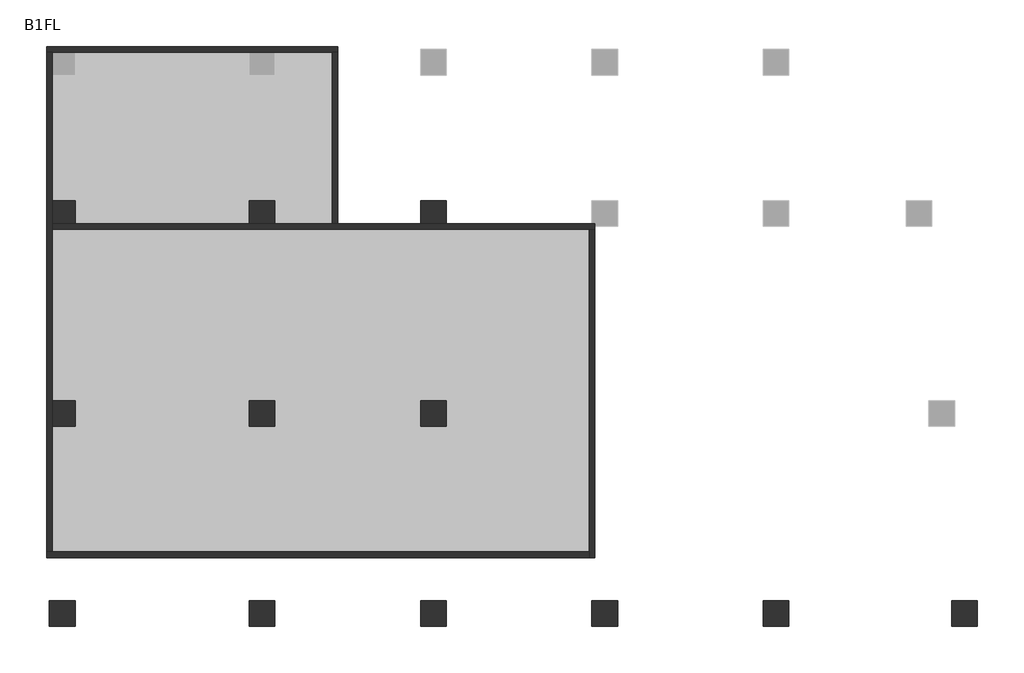
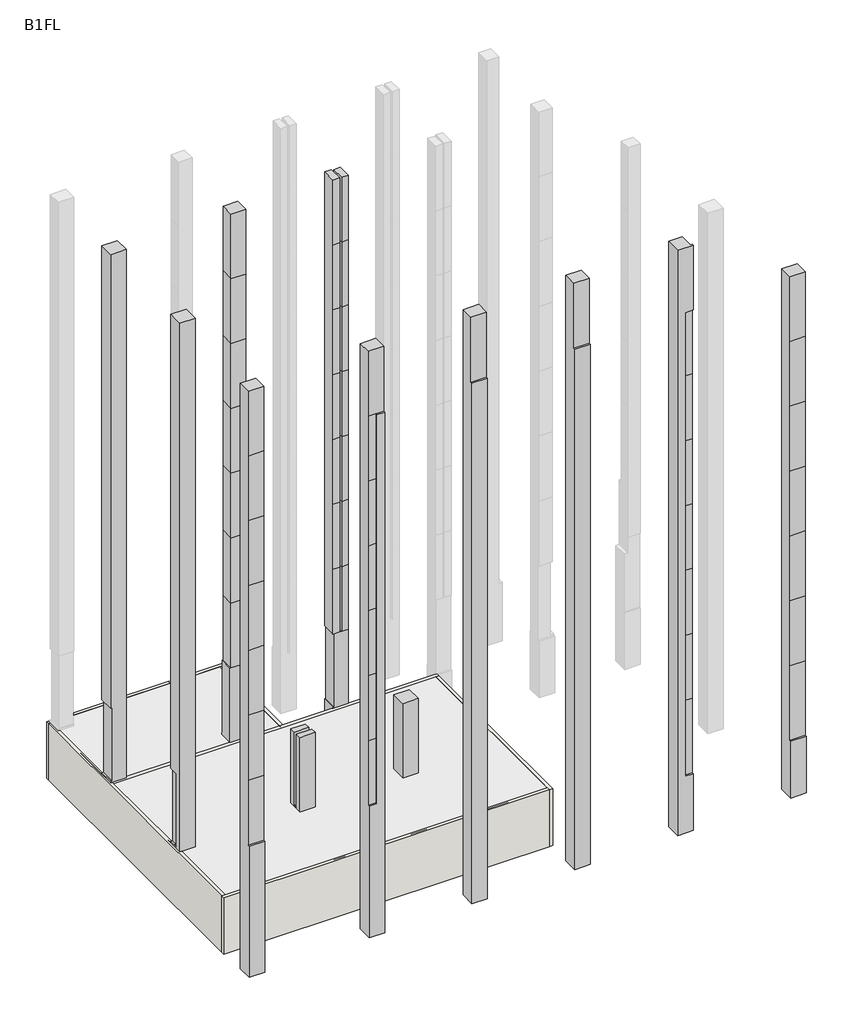
# One storey, part 1 of 2: 12 columns, 6 walls.
"""IFC4 building model written with IfcOpenShell, lengths in millimetres."""

from ifc_helpers import new_model, si_unit, frame, origin, place, context, project, spatial, polyline, outline, extrude, faceted_brep, element, save

model = new_model("IFC4")

# Units and contexts
model_context = context("Model", 3, world=origin())
ifc_project = project(units=[si_unit("LENGTHUNIT", "METRE", prefix="MILLI")], contexts=[model_context])

# Site, building, storey
site = spatial("IfcSite", under=ifc_project)
building = spatial("IfcBuilding", under=site)
storey = spatial("IfcBuildingStorey", under=building, Name="B1FL", Elevation=-3500.0)

# Columns
placement = place(None, origin())
element("IfcColumn", 1, ObjectType="900x900", at=placement, inside=storey, context=model_context, shape_type="Brep", body=[
    faceted_brep([(-27945.9784025, 10449.6868987, 32600.0), (-27945.9784025, 11349.6868987, 32600.0), (-28845.9784025, 11349.6868987, 32600.0), (-28845.9784025, 10449.6868987, 32600.0), (-28745.9784025, 11349.6868987, -3500.0), (-27945.9784025, 11349.6868987, -3500.0), (-27945.9784025, 10549.6868987, -3500.0), (-28745.9784025, 10549.6868987, -3500.0), (-27945.9784025, 10449.6868987, 0.0), (-27945.9784025, 10549.6868987, 0.0), (-27945.9784025, 11349.6868987, 100.0), (-27945.9784025, 11299.6868987, 100.0), (-27945.9784025, 11299.6868987, 4600.0), (-27945.9784025, 11349.6868987, 4600.0), (-28745.9784025, 11349.6868987, 4600.0), (-28845.9784025, 11349.6868987, 4600.0), (-28845.9784025, 10449.6868987, 4600.0), (-28745.9784025, 10449.6868987, 4600.0), (-28745.9784025, 10449.6868987, 100.0), (-28845.9784025, 10449.6868987, 100.0), (-28845.9784025, 10449.6868987, 0.0), (-28745.9784025, 10449.6868987, 0.0), (-28745.9784025, 11299.6868987, 4600.0), (-28745.9784025, 11299.6868987, 100.0), (-28745.9784025, 11349.6868987, 100.0), (-28845.9784025, 11349.6868987, 100.0), (-28845.9784025, 11349.6868987, 0.0), (-28845.9784025, 10549.6868987, 0.0), (-28745.9784025, 11349.6868987, 0.0), (-28745.9784025, 10549.6868987, 0.0)], [[[0, 1, 2, 3]], [[4, 5, 6, 7]], [[1, 0, 8, 9, 6, 5, 10, 11, 12, 13]], [[2, 1, 13, 14, 15]], [[3, 2, 15, 16]], [[0, 3, 16, 17, 18, 19, 20, 21, 8]], [[18, 17, 22, 23]], [[24, 25, 19, 18, 23]], [[15, 14, 22, 17, 16]], [[19, 25, 26, 27, 20]], [[11, 23, 22, 12]], [[23, 11, 10, 24]], [[12, 22, 14, 13]], [[25, 24, 10, 5, 4, 28, 26]], [[28, 4, 7, 29]], [[21, 20, 27, 26, 28, 29]], [[9, 29, 7, 6]], [[29, 9, 8, 21]]]),
])
element("IfcColumn", 2, ObjectType="900x900", at=placement, inside=storey, context=model_context, shape_type="Brep", body=[
    faceted_brep([(-27945.9784025, 3449.6868987, 32600.0), (-27945.9784025, 4349.6868987, 32600.0), (-28845.9784025, 4349.6868987, 32600.0), (-28845.9784025, 3449.6868987, 32600.0), (-27945.9784025, 4349.6868987, -3500.0), (-27945.9784025, 3449.6868987, -3500.0), (-28745.9784025, 3449.6868987, -3500.0), (-28745.9784025, 4349.6868987, -3500.0), (-27945.9784025, 3999.6868987, 4600.0), (-27945.9784025, 3999.6868987, 100.0), (-27945.9784025, 3799.6868987, 100.0), (-27945.9784025, 3799.6868987, 4600.0), (-28745.9784025, 4349.6868987, 0.0), (-28845.9784025, 4349.6868987, 0.0), (-28845.9784025, 4349.6868987, 100.0), (-28745.9784025, 4349.6868987, 100.0), (-28745.9784025, 4349.6868987, 4600.0), (-28845.9784025, 4349.6868987, 4600.0), (-28845.9784025, 3999.6868987, 4600.0), (-28845.9784025, 3799.6868987, 4600.0), (-28845.9784025, 3799.6868987, 100.0), (-28845.9784025, 3999.6868987, 100.0), (-28845.9784025, 3449.6868987, 0.0), (-28845.9784025, 3449.6868987, 400.0), (-28745.9784025, 3449.6868987, 0.0), (-28745.9784025, 3999.6868987, 4600.0), (-28745.9784025, 3999.6868987, 100.0)], [[[0, 1, 2, 3]], [[4, 5, 6, 7]], [[1, 0, 5, 4], [8, 9, 10, 11]], [[2, 1, 4, 7, 12, 13, 14, 15, 16, 17]], [[3, 2, 17, 18, 19, 20, 21, 14, 13, 22, 23]], [[0, 3, 23, 22, 24, 6, 5]], [[9, 8, 25, 26]], [[11, 10, 20, 19]], [[10, 9, 26, 21, 20]], [[8, 11, 19, 18, 25]], [[25, 16, 15, 26]], [[26, 15, 14, 21]], [[16, 25, 18, 17]], [[24, 12, 7, 6]], [[12, 24, 22, 13]]]),
])
element("IfcColumn", 3, ObjectType="900x900", at=placement, inside=storey, context=model_context, shape_type="Brep", body=[
    faceted_brep([(-27945.9784025, -2650.3131013, 32600.0), (-28845.9784025, -2650.3131013, 32600.0), (-28845.9784025, -3450.3131013, 32600.0), (-27945.9784025, -3450.3131013, 32600.0), (-27945.9784025, -3550.3131013, -3500.0), (-28845.9784025, -3550.3131013, -3500.0), (-28845.9784025, -2650.3131013, -3500.0), (-27945.9784025, -2650.3131013, -3500.0), (-27945.9784025, -3450.3131013, 28600.0), (-27945.9784025, -3450.3131013, 24600.0), (-27945.9784025, -3450.3131013, 20600.0), (-27945.9784025, -3450.3131013, 16600.0), (-27945.9784025, -3450.3131013, 12600.0), (-27945.9784025, -3450.3131013, 8600.0), (-27945.9784025, -3450.3131013, 4600.0), (-27945.9784025, -3550.3131013, 4600.0), (-28845.9784025, -2650.3131013, 0.0), (-28845.9784025, -2650.3131013, 400.0), (-28845.9784025, -3550.3131013, 4600.0), (-28845.9784025, -3450.3131013, 4600.0), (-28845.9784025, -3450.3131013, 8600.0), (-28845.9784025, -3450.3131013, 12600.0), (-28845.9784025, -3450.3131013, 16600.0), (-28845.9784025, -3450.3131013, 20600.0), (-28845.9784025, -3450.3131013, 24600.0), (-28845.9784025, -3450.3131013, 28600.0)], [[[0, 1, 2, 3]], [[4, 5, 6, 7]], [[4, 7, 0, 3, 8, 9, 10, 11, 12, 13, 14, 15]], [[1, 0, 7, 6, 16, 17]], [[6, 5, 18, 19, 20, 21, 22, 23, 24, 25, 2, 1, 17, 16]], [[13, 12, 21, 20]], [[12, 11, 22, 21]], [[11, 10, 23, 22]], [[10, 9, 24, 23]], [[9, 8, 25, 24]], [[5, 4, 15, 18]], [[19, 14, 13, 20]], [[14, 19, 18, 15]], [[3, 2, 25, 8]]]),
])
element("IfcColumn", 4, ObjectType="900x900", at=placement, inside=storey, context=model_context, shape_type="Brep", body=[
    faceted_brep([(-21795.9784025, 11299.6868987, 32600.0), (-21795.9784025, 10499.6868987, 32600.0), (-20945.9784025, 10499.6868987, 32600.0), (-20945.9784025, 11299.6868987, 32600.0), (-21845.9784025, 11349.6868987, -3500.0), (-20945.9784025, 11349.6868987, -3500.0), (-20945.9784025, 10549.6868987, -3500.0), (-21845.9784025, 10549.6868987, -3500.0), (-20945.9784025, 10499.6868987, 12600.0), (-20945.9784025, 10499.6868987, 8600.0), (-20945.9784025, 10499.6868987, 4600.0), (-20945.9784025, 10524.6868987, 4600.0), (-20945.9784025, 11299.6868987, 4600.0), (-20945.9784025, 11299.6868987, 8600.0), (-20945.9784025, 11299.6868987, 12600.0), (-20945.9784025, 11299.6868987, 16600.0), (-20945.9784025, 11299.6868987, 20600.0), (-20945.9784025, 11299.6868987, 24600.0), (-20945.9784025, 11299.6868987, 28600.0), (-20945.9784025, 10499.6868987, 28600.0), (-20945.9784025, 10499.6868987, 24600.0), (-20945.9784025, 10499.6868987, 20600.0), (-20945.9784025, 10499.6868987, 16600.0), (-21795.9784025, 10499.6868987, 12600.0), (-21795.9784025, 10499.6868987, 8600.0), (-21795.9784025, 11299.6868987, 12600.0), (-21795.9784025, 11299.6868987, 8600.0), (-21845.9784025, 11349.6868987, 100.0), (-21845.9784025, 10549.6868987, 0.0), (-21845.9784025, 10524.6868987, 0.0), (-21845.9784025, 10524.6868987, 4600.0), (-21845.9784025, 11299.6868987, 4600.0), (-21845.9784025, 11299.6868987, 100.0), (-20945.9784025, 11349.6868987, 100.0), (-21795.9784025, 10499.6868987, 4600.0), (-21795.9784025, 11299.6868987, 4600.0), (-21795.9784025, 10524.6868987, 4600.0), (-20995.9784025, 11299.6868987, 4600.0), (-21795.9784025, 10499.6868987, 16600.0), (-21795.9784025, 11299.6868987, 16600.0), (-21795.9784025, 10499.6868987, 20600.0), (-21795.9784025, 11299.6868987, 20600.0), (-21795.9784025, 10499.6868987, 24600.0), (-21795.9784025, 11299.6868987, 24600.0), (-21795.9784025, 10499.6868987, 28600.0), (-21795.9784025, 11299.6868987, 28600.0), (-20995.9784025, 11299.6868987, 100.0), (-20945.9784025, 11299.6868987, 100.0), (-20995.9784025, 10524.6868987, 100.0), (-20995.9784025, 10524.6868987, 4600.0), (-20945.9784025, 10524.6868987, 100.0), (-20945.9784025, 10549.6868987, 0.0), (-20945.9784025, 10524.6868987, 0.0)], [[[0, 1, 2, 3]], [[4, 5, 6, 7]], [[8, 9, 10, 11, 12, 13, 14, 15, 16, 17, 18, 3, 2, 19, 20, 21, 22]], [[9, 8, 23, 24]], [[24, 23, 25, 26]], [[27, 4, 7, 28, 29, 30, 31, 32]], [[14, 13, 26, 25]], [[5, 4, 27, 33]], [[10, 9, 24, 34]], [[24, 26, 35, 36, 34]], [[35, 31, 30, 36]], [[13, 12, 37, 35, 26]], [[8, 22, 38, 23]], [[25, 23, 38, 39]], [[15, 14, 25, 39]], [[22, 21, 40, 38]], [[39, 38, 40, 41]], [[16, 15, 39, 41]], [[21, 20, 42, 40]], [[41, 40, 42, 43]], [[17, 16, 41, 43]], [[20, 19, 44, 42]], [[43, 42, 44, 45]], [[18, 17, 43, 45]], [[45, 44, 1, 0]], [[0, 3, 18, 45]], [[2, 1, 44, 19]], [[32, 31, 35, 37, 46]], [[47, 33, 27, 32, 46]], [[48, 46, 37, 49]], [[46, 48, 50, 47]], [[49, 37, 12, 11]], [[7, 6, 51, 28]], [[28, 51, 52, 29]], [[49, 36, 30, 29, 52, 50, 48]], [[36, 49, 11, 10, 34]], [[5, 33, 47, 50, 52, 51, 6]]]),
])
element("IfcColumn", 5, ObjectType="900x900", at=placement, inside=storey, context=model_context, shape_type="Brep", body=[
    faceted_brep([(-21845.9784025, 3449.6868987, 4600.0), (-20945.9784025, 3449.6868987, 4600.0), (-20945.9784025, 3799.6868987, 4600.0), (-21845.9784025, 3799.6868987, 4600.0), (-20945.9784025, 3449.6868987, -3500.0), (-21845.9784025, 3449.6868987, -3500.0), (-21845.9784025, 4349.6868987, -3500.0), (-20945.9784025, 4349.6868987, -3500.0), (-20945.9784025, 4349.6868987, 100.0), (-20945.9784025, 3999.6868987, 100.0), (-20945.9784025, 3799.6868987, 100.0), (-21845.9784025, 4349.6868987, 4600.0), (-21020.9784025, 4349.6868987, 4600.0), (-21020.9784025, 4349.6868987, 100.0), (-21845.9784025, 3799.6868987, 100.0), (-21845.9784025, 3999.6868987, 100.0), (-21845.9784025, 3999.6868987, 4600.0), (-21020.9784025, 3999.6868987, 100.0), (-21020.9784025, 3999.6868987, 4600.0)], [[[0, 1, 2, 3]], [[4, 5, 6, 7]], [[4, 7, 8, 9, 10, 2, 1]], [[7, 6, 11, 12, 13, 8]], [[6, 5, 0, 3, 14, 15, 16, 11]], [[1, 0, 5, 4]], [[16, 15, 17, 18]], [[3, 2, 10, 14]], [[10, 9, 17, 15, 14]], [[11, 16, 18, 12]], [[17, 13, 12, 18]], [[13, 17, 9, 8]]]),
])
element("IfcColumn", 6, ObjectType="900x900", at=placement, inside=storey, context=model_context, shape_type="Brep", body=[
    faceted_brep([(-20945.9784025, -2650.3131013, 32600.0), (-21845.9784025, -2650.3131013, 32600.0), (-21845.9784025, -3450.3131013, 32600.0), (-20945.9784025, -3450.3131013, 32600.0), (-20945.9784025, -3550.3131013, -3500.0), (-21845.9784025, -3550.3131013, -3500.0), (-21845.9784025, -2650.3131013, -3500.0), (-20945.9784025, -2650.3131013, -3500.0), (-20945.9784025, -3450.3131013, 28600.0), (-20945.9784025, -3550.3131013, 28600.0), (-21845.9784025, -3550.3131013, 4600.0), (-21845.9784025, -3450.3131013, 4600.0), (-21845.9784025, -3450.3131013, 8600.0), (-21845.9784025, -3450.3131013, 12600.0), (-21845.9784025, -3450.3131013, 16600.0), (-21845.9784025, -3450.3131013, 20600.0), (-21845.9784025, -3450.3131013, 24600.0), (-21845.9784025, -3450.3131013, 28600.0), (-21395.9784025, -3550.3131013, 28600.0), (-21395.9784025, -3550.3131013, 24600.0), (-21395.9784025, -3550.3131013, 20600.0), (-21395.9784025, -3550.3131013, 16600.0), (-21395.9784025, -3550.3131013, 12600.0), (-21395.9784025, -3550.3131013, 8600.0), (-21395.9784025, -3550.3131013, 4600.0), (-21395.9784025, -3450.3131013, 8600.0), (-21395.9784025, -3450.3131013, 12600.0), (-21395.9784025, -3450.3131013, 16600.0), (-21395.9784025, -3450.3131013, 20600.0), (-21395.9784025, -3450.3131013, 24600.0), (-21395.9784025, -3450.3131013, 28600.0), (-21395.9784025, -3450.3131013, 4600.0)], [[[0, 1, 2, 3]], [[4, 5, 6, 7]], [[4, 7, 0, 3, 8, 9]], [[1, 0, 7, 6]], [[6, 5, 10, 11, 12, 13, 14, 15, 16, 17, 2, 1]], [[5, 4, 9, 18, 19, 20, 21, 22, 23, 24, 10]], [[25, 26, 13, 12]], [[26, 25, 23, 22]], [[26, 27, 14, 13]], [[27, 26, 22, 21]], [[27, 28, 15, 14]], [[28, 27, 21, 20]], [[28, 29, 16, 15]], [[29, 28, 20, 19]], [[29, 30, 17, 16]], [[30, 29, 19, 18]], [[31, 25, 12, 11]], [[31, 11, 10, 24]], [[25, 31, 24, 23]], [[30, 8, 3, 2, 17]], [[8, 30, 18, 9]]]),
])
element("IfcColumn", 7, ObjectType="900x900", at=placement, inside=storey, context=model_context, shape_type="Brep", body=[
    faceted_brep([(-15345.9784025, 11299.6868987, 32600.0), (-15345.9784025, 10499.6868987, 32600.0), (-14945.9784025, 10499.6868987, 32600.0), (-14945.9784025, 11299.6868987, 32600.0), (-15845.9784025, 11349.6868987, -3500.0), (-14945.9784025, 11349.6868987, -3500.0), (-14945.9784025, 10549.6868987, -3500.0), (-15845.9784025, 10549.6868987, -3500.0), (-14945.9784025, 10499.6868987, 12600.0), (-14945.9784025, 10499.6868987, 8600.0), (-14945.9784025, 10499.6868987, 4600.0), (-14945.9784025, 10524.6868987, 4600.0), (-14945.9784025, 10524.6868987, 0.0), (-14945.9784025, 10549.6868987, 0.0), (-14945.9784025, 11349.6868987, 100.0), (-14945.9784025, 11299.6868987, 100.0), (-14945.9784025, 11299.6868987, 4600.0), (-14945.9784025, 11299.6868987, 8600.0), (-14945.9784025, 11299.6868987, 12600.0), (-14945.9784025, 11299.6868987, 16600.0), (-14945.9784025, 11299.6868987, 20600.0), (-14945.9784025, 11299.6868987, 24600.0), (-14945.9784025, 11299.6868987, 28600.0), (-14945.9784025, 10499.6868987, 28600.0), (-14945.9784025, 10499.6868987, 24600.0), (-14945.9784025, 10499.6868987, 20600.0), (-14945.9784025, 10499.6868987, 16600.0), (-15845.9784025, 10499.6868987, 8600.0), (-15845.9784025, 10499.6868987, 12600.0), (-15845.9784025, 10499.6868987, 16600.0), (-15845.9784025, 10499.6868987, 20600.0), (-15845.9784025, 10499.6868987, 24600.0), (-15845.9784025, 10499.6868987, 28600.0), (-15845.9784025, 10499.6868987, 32600.0), (-15845.9784025, 11349.6868987, 32600.0), (-15845.9784025, 11349.6868987, 4600.0), (-15845.9784025, 11299.6868987, 4600.0), (-15845.9784025, 10524.6868987, 4600.0), (-15845.9784025, 10499.6868987, 4600.0), (-15345.9784025, 10499.6868987, 12600.0), (-15345.9784025, 10499.6868987, 8600.0), (-15345.9784025, 11299.6868987, 12600.0), (-15345.9784025, 11299.6868987, 8600.0), (-15445.9784025, 11349.6868987, 8600.0), (-15445.9784025, 11349.6868987, 12600.0), (-15445.9784025, 10499.6868987, 12600.0), (-15445.9784025, 10499.6868987, 8600.0), (-15345.9784025, 10499.6868987, 4600.0), (-15345.9784025, 11299.6868987, 4600.0), (-15345.9784025, 10524.6868987, 4600.0), (-15445.9784025, 11349.6868987, 4600.0), (-15445.9784025, 10499.6868987, 4600.0), (-15445.9784025, 10524.6868987, 4600.0), (-15445.9784025, 11299.6868987, 4600.0), (-15345.9784025, 10499.6868987, 16600.0), (-15345.9784025, 11299.6868987, 16600.0), (-15445.9784025, 11349.6868987, 16600.0), (-15445.9784025, 10499.6868987, 16600.0), (-15345.9784025, 10499.6868987, 20600.0), (-15345.9784025, 11299.6868987, 20600.0), (-15445.9784025, 11349.6868987, 20600.0), (-15445.9784025, 10499.6868987, 20600.0), (-15345.9784025, 10499.6868987, 24600.0), (-15345.9784025, 11299.6868987, 24600.0), (-15445.9784025, 11349.6868987, 24600.0), (-15445.9784025, 10499.6868987, 24600.0), (-15345.9784025, 10499.6868987, 28600.0), (-15345.9784025, 11299.6868987, 28600.0), (-15445.9784025, 11349.6868987, 28600.0), (-15445.9784025, 10499.6868987, 28600.0), (-15445.9784025, 11349.6868987, 32600.0), (-15445.9784025, 10499.6868987, 32600.0), (-15795.9784025, 10524.6868987, 4600.0), (-15795.9784025, 11299.6868987, 4600.0), (-15795.9784025, 11299.6868987, 100.0), (-15795.9784025, 10524.6868987, 100.0), (-15845.9784025, 11299.6868987, 100.0), (-15845.9784025, 10524.6868987, 100.0), (-15845.9784025, 11349.6868987, 100.0), (-15845.9784025, 10549.6868987, 0.0), (-15845.9784025, 10524.6868987, 0.0)], [[[0, 1, 2, 3]], [[4, 5, 6, 7]], [[8, 9, 10, 11, 12, 13, 6, 5, 14, 15, 16, 17, 18, 19, 20, 21, 22, 3, 2, 23, 24, 25, 26]], [[27, 28, 29, 30, 31, 32, 33, 34, 35, 36, 37, 38]], [[9, 8, 39, 40]], [[40, 39, 41, 42]], [[43, 44, 45, 46]], [[28, 27, 46, 45]], [[18, 17, 42, 41]], [[10, 9, 40, 47]], [[40, 42, 48, 49, 47]], [[50, 43, 46, 51, 52, 53]], [[48, 53, 52, 49]], [[27, 38, 51, 46]], [[17, 16, 48, 42]], [[8, 26, 54, 39]], [[41, 39, 54, 55]], [[44, 56, 57, 45]], [[29, 28, 45, 57]], [[19, 18, 41, 55]], [[26, 25, 58, 54]], [[55, 54, 58, 59]], [[56, 60, 61, 57]], [[30, 29, 57, 61]], [[20, 19, 55, 59]], [[25, 24, 62, 58]], [[59, 58, 62, 63]], [[60, 64, 65, 61]], [[31, 30, 61, 65]], [[21, 20, 59, 63]], [[24, 23, 66, 62]], [[63, 62, 66, 67]], [[64, 68, 69, 65]], [[32, 31, 65, 69]], [[22, 21, 63, 67]], [[67, 66, 1, 0]], [[70, 71, 69, 68]], [[44, 43, 50, 35, 34, 70, 68, 64, 60, 56]], [[0, 3, 22, 67]], [[2, 1, 66, 23]], [[70, 34, 33, 71]], [[71, 33, 32, 69]], [[72, 73, 74, 75]], [[75, 74, 76, 77]], [[73, 72, 37, 36]], [[73, 53, 48, 16, 15, 74]], [[74, 15, 14, 78, 76]], [[53, 73, 36, 35, 50]], [[5, 4, 78, 14]], [[13, 79, 7, 6]], [[79, 13, 12, 80]], [[52, 72, 75, 77, 80, 12, 11, 49]], [[72, 52, 51, 38, 37]], [[77, 76, 78, 4, 7, 79, 80]], [[49, 11, 10, 47]]]),
])
element("IfcColumn", 8, ObjectType="900x900", at=placement, inside=storey, context=model_context, shape_type="SweptSolid", body=[
    extrude(outline(polyline([(-14945.9784025, 3449.6868987), (-15845.9784025, 3449.6868987), (-15845.9784025, 4349.6868987), (-14945.9784025, 4349.6868987), (-14945.9784025, 3449.6868987)])), frame((0.0, 0.0, -3500.0), z_axis=(0.0, 0.0, 1.0), x_axis=(1.0, 0.0, 0.0)), (0.0, 0.0, 1.0), 8100.0),
])
element("IfcColumn", 9, ObjectType="900x900", at=placement, inside=storey, context=model_context, shape_type="SweptSolid", body=[
    extrude(outline(polyline([(-2650.3131013, -3500.0), (-3550.3131013, -3500.0), (-3550.3131013, 28600.0), (-3450.3131013, 28600.0), (-3450.3131013, 32600.0), (-2650.3131013, 32600.0), (-2650.3131013, -3500.0)])), frame((-15845.9784025, 0.0, 0.0), z_axis=(1.0, 0.0, 0.0), x_axis=(0.0, 1.0, 0.0)), (0.0, 0.0, 1.0), 900.0),
])
element("IfcColumn", 10, ObjectType="900x900", at=placement, inside=storey, context=model_context, shape_type="SweptSolid", body=[
    extrude(outline(polyline([(-2650.3131013, -3500.0), (-3550.3131013, -3500.0), (-3550.3131013, 28600.0), (-3450.3131013, 28600.0), (-3450.3131013, 32600.0), (-2650.3131013, 32600.0), (-2650.3131013, -3500.0)])), frame((-9845.9784025, 0.0, 0.0), z_axis=(1.0, 0.0, 0.0), x_axis=(0.0, 1.0, 0.0)), (0.0, 0.0, 1.0), 900.0),
])
element("IfcColumn", 11, ObjectType="900x900", at=placement, inside=storey, context=model_context, shape_type="Brep", body=[
    faceted_brep([(-3845.9784025, -2650.3131013, 32600.0), (-3845.9784025, -3550.3131013, 32600.0), (-2945.9784025, -3550.3131013, 32600.0), (-2945.9784025, -3450.3131013, 32600.0), (-3045.9784025, -3450.3131013, 32600.0), (-3045.9784025, -2650.3131013, 32600.0), (-2945.9784025, -3550.3131013, -3500.0), (-3845.9784025, -3550.3131013, -3500.0), (-3845.9784025, -2650.3131013, -3500.0), (-2945.9784025, -2650.3131013, -3500.0), (-2945.9784025, -3550.3131013, 28600.0), (-2945.9784025, -3450.3131013, 28600.0), (-3045.9784025, -2650.3131013, 28600.0), (-2945.9784025, -2650.3131013, 28600.0), (-2945.9784025, -3550.3131013, 0.0), (-3395.9784025, -3550.3131013, 0.0), (-3395.9784025, -3550.3131013, 4600.0), (-3395.9784025, -3550.3131013, 8600.0), (-3395.9784025, -3550.3131013, 12600.0), (-3395.9784025, -3550.3131013, 16600.0), (-3395.9784025, -3550.3131013, 20600.0), (-3395.9784025, -3550.3131013, 24600.0), (-3395.9784025, -3550.3131013, 28600.0), (-3395.9784025, -3450.3131013, 12600.0), (-3395.9784025, -3450.3131013, 8600.0), (-2945.9784025, -3450.3131013, 8600.0), (-2945.9784025, -3450.3131013, 12600.0), (-3395.9784025, -3450.3131013, 16600.0), (-2945.9784025, -3450.3131013, 16600.0), (-3395.9784025, -3450.3131013, 20600.0), (-2945.9784025, -3450.3131013, 20600.0), (-3395.9784025, -3450.3131013, 24600.0), (-2945.9784025, -3450.3131013, 24600.0), (-3395.9784025, -3450.3131013, 28600.0), (-3045.9784025, -3450.3131013, 28600.0), (-3045.9784025, -3450.3131013, 28600.0), (-3395.9784025, -3450.3131013, 0.0), (-2945.9784025, -3450.3131013, 0.0), (-2945.9784025, -3450.3131013, 4600.0), (-3395.9784025, -3450.3131013, 4600.0)], [[[0, 1, 2, 3, 4, 5]], [[6, 7, 8, 9]], [[2, 10, 11, 3]], [[9, 8, 0, 5, 12, 13]], [[1, 0, 8, 7]], [[2, 1, 7, 6, 14, 15, 16, 17, 18, 19, 20, 21, 22, 10]], [[23, 24, 25, 26]], [[27, 23, 26, 28]], [[29, 27, 28, 30]], [[31, 29, 30, 32]], [[33, 31, 32, 11, 34]], [[11, 10, 22, 33, 34]], [[5, 4, 35, 12]], [[11, 13, 12, 35]], [[36, 37, 38, 39]], [[37, 36, 15, 14]], [[24, 23, 18, 17]], [[23, 27, 19, 18]], [[27, 29, 20, 19]], [[29, 31, 21, 20]], [[31, 33, 22, 21]], [[24, 39, 38, 25]], [[39, 24, 17, 16]], [[36, 39, 16, 15]], [[35, 4, 3, 11]], [[6, 9, 13, 11, 32, 30, 28, 26, 25, 38, 37, 14]]]),
])
element("IfcColumn", 12, ObjectType="900x900", at=placement, inside=storey, context=model_context, shape_type="Brep", body=[
    faceted_brep([(3654.0215975, -2650.3131013, 28600.0), (2754.0215975, -2650.3131013, 28600.0), (2754.0215975, -3450.3131013, 28600.0), (3654.0215975, -3450.3131013, 28600.0), (3654.0215975, -3550.3131013, -3500.0), (2754.0215975, -3550.3131013, -3500.0), (2754.0215975, -2650.3131013, -3500.0), (3654.0215975, -2650.3131013, -3500.0), (3654.0215975, -2650.3131013, 0.0), (3654.0215975, -2650.3131013, 400.0), (3654.0215975, -3450.3131013, 24600.0), (3654.0215975, -3450.3131013, 20600.0), (3654.0215975, -3450.3131013, 16600.0), (3654.0215975, -3450.3131013, 12600.0), (3654.0215975, -3450.3131013, 8600.0), (3654.0215975, -3450.3131013, 4600.0), (3654.0215975, -3450.3131013, 0.0), (3654.0215975, -3550.3131013, 0.0), (2754.0215975, -3550.3131013, 0.0), (2754.0215975, -3450.3131013, 0.0), (2754.0215975, -3450.3131013, 4600.0), (2754.0215975, -3450.3131013, 8600.0), (2754.0215975, -3450.3131013, 12600.0), (2754.0215975, -3450.3131013, 16600.0), (2754.0215975, -3450.3131013, 20600.0), (2754.0215975, -3450.3131013, 24600.0)], [[[0, 1, 2, 3]], [[4, 5, 6, 7]], [[4, 7, 8, 9, 0, 3, 10, 11, 12, 13, 14, 15, 16, 17]], [[1, 0, 9, 8, 7, 6]], [[6, 5, 18, 19, 20, 21, 22, 23, 24, 25, 2, 1]], [[14, 13, 22, 21]], [[5, 4, 17, 18]], [[13, 12, 23, 22]], [[12, 11, 24, 23]], [[11, 10, 25, 24]], [[3, 2, 25, 10]], [[15, 14, 21, 20]], [[19, 16, 15, 20]], [[16, 19, 18, 17]]]),
])

# Walls
element("IfcWall", 13, at=placement, inside=storey, context=model_context, shape_type="Brep", body=[
    faceted_brep([(-28945.9784025, 16549.6868987, -3500.0), (-28745.9784025, 16549.6868987, -3500.0), (-27945.9784025, 16549.6868987, -3500.0), (-21845.9784025, 16549.6868987, -3500.0), (-20945.9784025, 16549.6868987, -3500.0), (-18945.9784025, 16549.6868987, -3500.0), (-18745.9784025, 16549.6868987, -3500.0), (-18745.9784025, 16549.6868987, 0.0), (-18945.9784025, 16549.6868987, 0.0), (-20945.9784025, 16549.6868987, 0.0), (-21845.9784025, 16549.6868987, 0.0), (-27945.9784025, 16549.6868987, 0.0), (-28745.9784025, 16549.6868987, 0.0), (-28945.9784025, 16549.6868987, 0.0), (-28945.9784025, 16749.6868987, -3500.0), (-28945.9784025, 16749.6868987, 0.0), (-18745.9784025, 16749.6868987, 0.0), (-18745.9784025, 16749.6868987, -3500.0)], [[[0, 1, 2, 3, 4, 5, 6, 7, 8, 9, 10, 11, 12, 13]], [[14, 15, 16, 17]], [[6, 5, 4, 3, 2, 1, 0, 14, 17]], [[13, 12, 11, 10, 9, 8, 7, 16, 15]], [[7, 6, 17, 16]], [[0, 13, 15, 14]]]),
])
element("IfcWall", 14, at=placement, inside=storey, context=model_context, shape_type="SweptSolid", body=[
    extrude(outline(polyline([(-18945.9784025, 10449.6868987), (-18945.9784025, 16549.6868987), (-18745.9784025, 16549.6868987), (-18745.9784025, 10449.6868987), (-18945.9784025, 10449.6868987)])), frame((0.0, 0.0, -3500.0), z_axis=(0.0, 0.0, 1.0), x_axis=(1.0, 0.0, 0.0)), (0.0, 0.0, 1.0), 3500.0),
])
element("IfcWall", 15, at=placement, inside=storey, context=model_context, shape_type="Brep", body=[
    faceted_brep([(-28845.9784025, 10349.6868987, -3500.0), (-9945.9784025, 10349.6868987, -3500.0), (-9745.9784025, 10349.6868987, -3500.0), (-9745.9784025, 10349.6868987, 0.0), (-9945.9784025, 10349.6868987, 0.0), (-28845.9784025, 10349.6868987, 0.0), (-28845.9784025, 10549.6868987, -3500.0), (-28845.9784025, 10549.6868987, 0.0), (-28745.9784025, 10549.6868987, 0.0), (-27945.9784025, 10549.6868987, 0.0), (-21845.9784025, 10549.6868987, 0.0), (-20945.9784025, 10549.6868987, 0.0), (-15845.9784025, 10549.6868987, 0.0), (-14945.9784025, 10549.6868987, 0.0), (-9845.9784025, 10549.6868987, 0.0), (-9745.9784025, 10549.6868987, 0.0), (-9745.9784025, 10549.6868987, -3500.0), (-9845.9784025, 10549.6868987, -3500.0), (-14945.9784025, 10549.6868987, -3500.0), (-15845.9784025, 10549.6868987, -3500.0), (-20945.9784025, 10549.6868987, -3500.0), (-21845.9784025, 10549.6868987, -3500.0), (-27945.9784025, 10549.6868987, -3500.0), (-28745.9784025, 10549.6868987, -3500.0), (-9745.9784025, 10449.6868987, -3500.0), (-9745.9784025, 10449.6868987, 0.0), (-9745.9784025, 10524.6868987, 0.0), (-28845.9784025, 10449.6868987, 0.0)], [[[0, 1, 2, 3, 4, 5]], [[6, 7, 8, 9, 10, 11, 12, 13, 14, 15, 16, 17, 18, 19, 20, 21, 22, 23]], [[2, 1, 0, 6, 23, 22, 21, 20, 19, 18, 17, 16, 24]], [[5, 4, 3, 25, 26, 15, 14, 13, 12, 11, 10, 9, 8, 7, 27]], [[0, 5, 27, 7, 6]], [[3, 2, 24, 16, 15, 26, 25]]]),
])
element("IfcWall", 16, at=placement, inside=storey, context=model_context, shape_type="Brep", body=[
    faceted_brep([(-9945.9784025, 10349.6868987, -3500.0), (-9945.9784025, -950.3131013, -3500.0), (-9945.9784025, -1150.3131013, -3500.0), (-9945.9784025, -1150.3131013, 0.0), (-9945.9784025, -950.3131013, 0.0), (-9945.9784025, 10349.6868987, 0.0), (-9745.9784025, 10349.6868987, -3500.0), (-9745.9784025, 10349.6868987, 0.0), (-9745.9784025, -1150.3131013, 0.0), (-9745.9784025, -1150.3131013, -3500.0)], [[[0, 1, 2, 3, 4, 5]], [[6, 7, 8, 9]], [[2, 1, 0, 6, 9]], [[5, 4, 3, 8, 7]], [[0, 5, 7, 6]], [[3, 2, 9, 8]]]),
])
element("IfcWall", 17, at=placement, inside=storey, context=model_context, shape_type="Brep", body=[
    faceted_brep([(-9945.9784025, -950.3131013, -3500.0), (-28745.9784025, -950.3131013, -3500.0), (-28945.9784025, -950.3131013, -3500.0), (-28945.9784025, -950.3131013, 0.0), (-28745.9784025, -950.3131013, 0.0), (-9945.9784025, -950.3131013, 0.0), (-9945.9784025, -1150.3131013, -3500.0), (-9945.9784025, -1150.3131013, 0.0), (-28945.9784025, -1150.3131013, 0.0), (-28945.9784025, -1150.3131013, -3500.0)], [[[0, 1, 2, 3, 4, 5]], [[6, 7, 8, 9]], [[2, 1, 0, 6, 9]], [[5, 4, 3, 8, 7]], [[0, 5, 7, 6]], [[3, 2, 9, 8]]]),
])
element("IfcWall", 18, at=placement, inside=storey, context=model_context, shape_type="Brep", body=[
    faceted_brep([(-28745.9784025, -950.3131013, -3500.0), (-28745.9784025, 3449.6868987, -3500.0), (-28745.9784025, 4349.6868987, -3500.0), (-28745.9784025, 10549.6868987, -3500.0), (-28745.9784025, 11349.6868987, -3500.0), (-28745.9784025, 15749.6868987, -3500.0), (-28745.9784025, 16549.6868987, -3500.0), (-28745.9784025, 16549.6868987, 0.0), (-28745.9784025, 15749.6868987, 0.0), (-28745.9784025, 11349.6868987, 0.0), (-28745.9784025, 10549.6868987, 0.0), (-28745.9784025, 4349.6868987, 0.0), (-28745.9784025, 3449.6868987, 0.0), (-28745.9784025, -950.3131013, 0.0), (-28945.9784025, -950.3131013, -3500.0), (-28945.9784025, -950.3131013, 0.0), (-28945.9784025, 16549.6868987, 0.0), (-28945.9784025, 16549.6868987, -3500.0)], [[[0, 1, 2, 3, 4, 5, 6, 7, 8, 9, 10, 11, 12, 13]], [[14, 15, 16, 17]], [[6, 5, 4, 3, 2, 1, 0, 14, 17]], [[13, 12, 11, 10, 9, 8, 7, 16, 15]], [[7, 6, 17, 16]], [[0, 13, 15, 14]]]),
])

save(model, "model.ifc")
